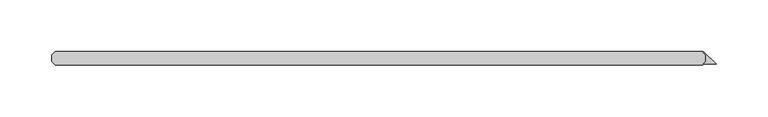
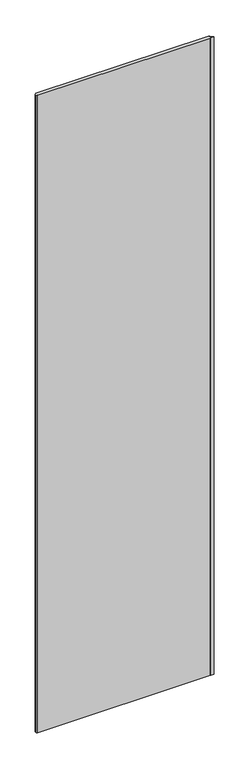
"""IFC4 building model written with IfcOpenShell, lengths in millimetres: plate geometry."""

from ifc_helpers import new_model, si_unit, origin, origin_with_axes, place, context, project, spatial, polyline, outline, extrude, source, transform, mapped, element, save


def plate_3412dba7(model_context):
    return source(origin(), model_context, "Body", "SweptSolid", [
        extrude(outline(polyline([(312.805593, -3.175), (312.805593, 3.175), (310.3821039, 5.5984891), (310.9433699, 6.1597551), (322.659375, -5.55625), (310.424343, -5.55625), (312.805593, -3.175)])), origin_with_axes(), (0.0, 0.0, 1.0), 2427.1914267),
        extrude(outline(polyline([(309.630593, -6.35), (-313.928125, -6.35), (-317.103125, -3.175), (-317.103125, 3.175), (-313.928125, 6.35), (309.630593, 6.35), (312.805593, 3.175), (312.805593, -3.175), (309.630593, -6.35)])), origin_with_axes(), (0.0, 0.0, 1.0), 2427.1914267),
    ])


if __name__ == "__main__":
    model = new_model("IFC4")
    model_context = context("Model", 3, world=origin())
    ifc_project = project(units=[si_unit("LENGTHUNIT", "METRE", prefix="MILLI")], contexts=[model_context])
    site = spatial("IfcSite", under=ifc_project)
    building = spatial("IfcBuilding", under=site)
    placement = place(None, origin())
    plate_shape = plate_3412dba7(model_context)
    element("IfcPlate", 1, at=placement, inside=building, context=model_context, shape_type="MappedRepresentation", body=[
        mapped(plate_shape, transform((0.0, 0.0, 0.0), x_axis=(1.0, 0.0, 0.0), y_axis=(0.0, 1.0, 0.0), z_axis=(0.0, 0.0, 1.0))),
    ])
    save(model, "model.ifc")
